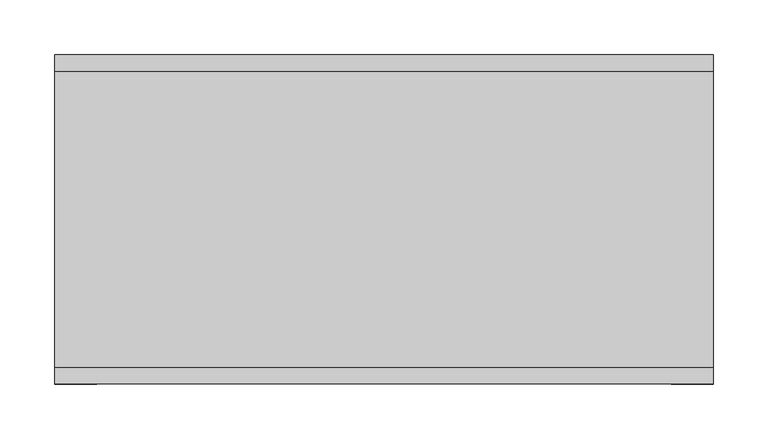
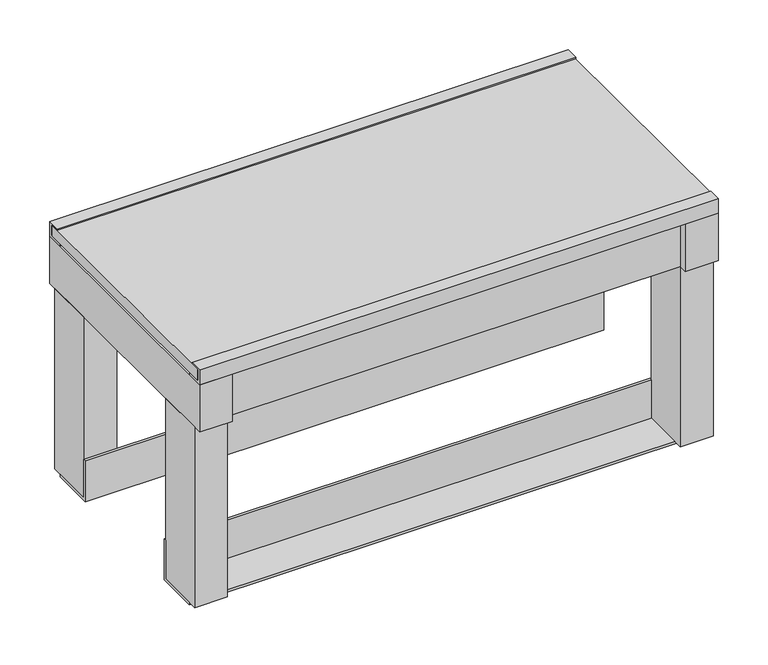
"""IFC4 building model written with IfcOpenShell, lengths in millimetres: proxy geometry."""

from ifc_helpers import new_model, si_unit, frame, origin, place, context, project, spatial, polyline, outline, extrude, source, transform, mapped, element, save


def specialty_equipment_f9b8bb3d(model_context):
    return source(origin(), model_context, "Body", "SweptSolid", [
        extrude(outline(polyline([(300.0, 145.0), (300.0, -145.0), (-300.0, -145.0), (-300.0, 145.0), (300.0, 145.0)])), frame((0.0, 0.0, 285.0), z_axis=(0.0, 0.0, 1.0), x_axis=(1.0, 0.0, 0.0)), (0.0, 0.0, 1.0), 13.0),
        extrude(outline(polyline([(150.0, 282.0), (130.0, 282.0), (130.0, 285.0), (147.0, 285.0), (147.0, 298.0), (135.0, 298.0), (135.0, 300.0), (150.0, 300.0), (150.0, 282.0)])), frame((-300.0, 0.0, 0.0), z_axis=(1.0, 0.0, 0.0), x_axis=(0.0, 1.0, 0.0)), (0.0, 0.0, 1.0), 600.0),
        extrude(outline(polyline([(-150.0, 282.0), (-150.0, 300.0), (-135.0, 300.0), (-135.0, 298.0), (-147.0, 298.0), (-147.0, 285.0), (-130.0, 285.0), (-130.0, 282.0), (-150.0, 282.0)])), frame((-300.0, 0.0, 0.0), z_axis=(1.0, 0.0, 0.0), x_axis=(0.0, 1.0, 0.0)), (0.0, 0.0, 1.0), 600.0),
        extrude(outline(polyline([(82.0, 3.0), (129.0, 3.0), (129.0, 0.0), (79.0, 0.0), (79.0, 50.0), (82.0, 50.0), (82.0, 3.0)])), frame((-300.0, 0.0, 0.0), z_axis=(1.0, 0.0, 0.0), x_axis=(0.0, 1.0, 0.0)), (0.0, 0.0, 1.0), 600.0),
        extrude(outline(polyline([(-82.0, 3.0), (-82.0, 50.0), (-79.0, 50.0), (-79.0, 0.0), (-129.0, 0.0), (-129.0, 3.0), (-82.0, 3.0)])), frame((-300.0, 0.0, 0.0), z_axis=(1.0, 0.0, 0.0), x_axis=(0.0, 1.0, 0.0)), (0.0, 0.0, 1.0), 600.0),
        extrude(outline(polyline([(-262.0, 140.0), (-262.0, 82.0), (-300.0, 82.0), (-300.0, 140.0), (-262.0, 140.0)])), frame((0.0, 0.0, 3.0), z_axis=(0.0, 0.0, 1.0), x_axis=(1.0, 0.0, 0.0)), (0.0, 0.0, 1.0), 221.0),
        extrude(outline(polyline([(-262.0, -82.0), (-262.0, -140.0), (-300.0, -140.0), (-300.0, -82.0), (-262.0, -82.0)])), frame((0.0, 0.0, 3.0), z_axis=(0.0, 0.0, 1.0), x_axis=(1.0, 0.0, 0.0)), (0.0, 0.0, 1.0), 221.0),
        extrude(outline(polyline([(300.0, -82.0), (300.0, -140.0), (262.0, -140.0), (262.0, -82.0), (300.0, -82.0)])), frame((0.0, 0.0, 3.0), z_axis=(0.0, 0.0, 1.0), x_axis=(1.0, 0.0, 0.0)), (0.0, 0.0, 1.0), 221.0),
        extrude(outline(polyline([(300.0, 140.0), (300.0, 82.0), (262.0, 82.0), (262.0, 140.0), (300.0, 140.0)])), frame((0.0, 0.0, 3.0), z_axis=(0.0, 0.0, 1.0), x_axis=(1.0, 0.0, 0.0)), (0.0, 0.0, 1.0), 221.0),
        extrude(outline(polyline([(-262.0, 140.0), (262.0, 140.0), (262.0, 150.0), (300.0, 150.0), (300.0, -150.0), (262.0, -150.0), (262.0, -140.0), (-262.0, -140.0), (-262.0, -150.0), (-300.0, -150.0), (-300.0, 150.0), (-262.0, 150.0), (-262.0, 140.0)]), holes=[polyline([(-262.0, 102.0), (-262.0, -102.0), (262.0, -102.0), (262.0, 102.0), (-262.0, 102.0)])]), frame((0.0, 0.0, 224.0), z_axis=(0.0, 0.0, 1.0), x_axis=(1.0, 0.0, 0.0)), (0.0, 0.0, 1.0), 58.0),
    ])


if __name__ == "__main__":
    model = new_model("IFC4")
    model_context = context("Model", 3, world=origin())
    ifc_project = project(units=[si_unit("LENGTHUNIT", "METRE", prefix="MILLI")], contexts=[model_context])
    site = spatial("IfcSite", under=ifc_project)
    building = spatial("IfcBuilding", under=site)
    placement = place(None, origin())
    specialty_equipment_shape = specialty_equipment_f9b8bb3d(model_context)
    element("IfcBuildingElementProxy", 1, Name="Specialty Equipment", at=placement, inside=building, context=model_context, shape_type="MappedRepresentation", body=[
        mapped(specialty_equipment_shape, transform((0.0, 0.0, 0.0), x_axis=(1.0, 0.0, 0.0), y_axis=(0.0, 1.0, 0.0), z_axis=(0.0, 0.0, 1.0))),
    ])
    save(model, "model.ifc")
